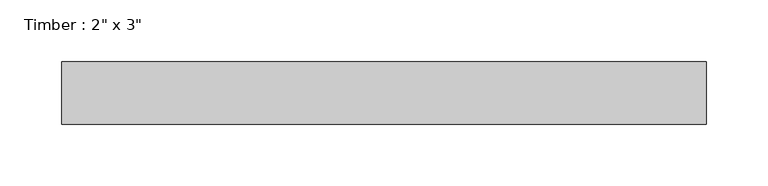
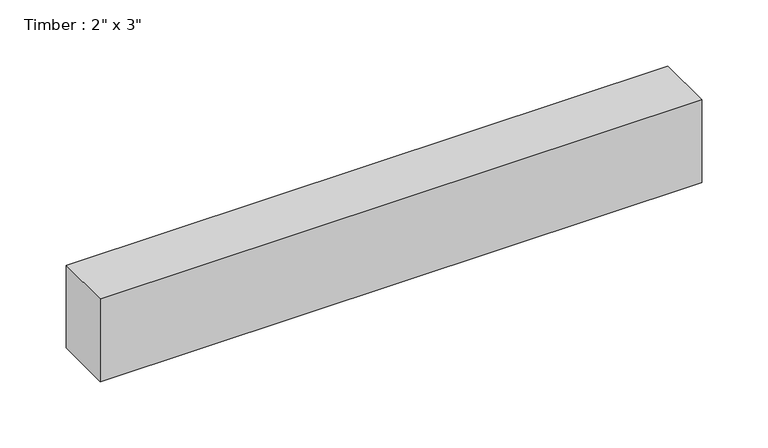
"""IFC4 building model written with IfcOpenShell, lengths in millimetres: beam geometry."""

from ifc_helpers import new_model, si_unit, frame, origin, place, context, project, spatial, polyline, outline, extrude, source, transform, mapped, element, save


def beam_5a524263(model_context):
    return source(origin(), model_context, "Body", "SweptSolid", [
        extrude(outline(polyline([(261.4155771, 25.4), (261.4155771, -25.4), (-261.4155771, -25.4), (-261.4155771, 25.4), (261.4155771, 25.4)])), frame((0.0, 0.0, -38.1), z_axis=(0.0, 0.0, 1.0), x_axis=(1.0, 0.0, 0.0)), (0.0, 0.0, 1.0), 76.2),
    ])


if __name__ == "__main__":
    model = new_model("IFC4")
    model_context = context("Model", 3, world=origin())
    ifc_project = project(units=[si_unit("LENGTHUNIT", "METRE", prefix="MILLI")], contexts=[model_context])
    site = spatial("IfcSite", under=ifc_project)
    building = spatial("IfcBuilding", under=site)
    placement = place(None, origin())
    beam_shape = beam_5a524263(model_context)
    element("IfcBeam", 1, ObjectType="Timber : 2\" x 3\"", at=placement, inside=building, context=model_context, shape_type="MappedRepresentation", body=[
        mapped(beam_shape, transform((0.0, 0.0, 0.0), x_axis=(1.0, 0.0, 0.0), y_axis=(0.0, 1.0, 0.0), z_axis=(0.0, 0.0, 1.0))),
    ])
    save(model, "model.ifc")
